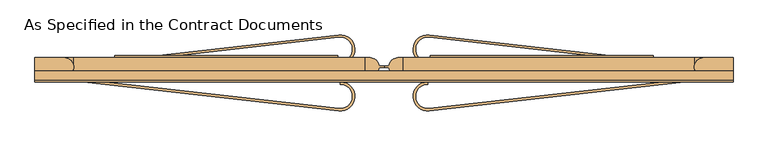
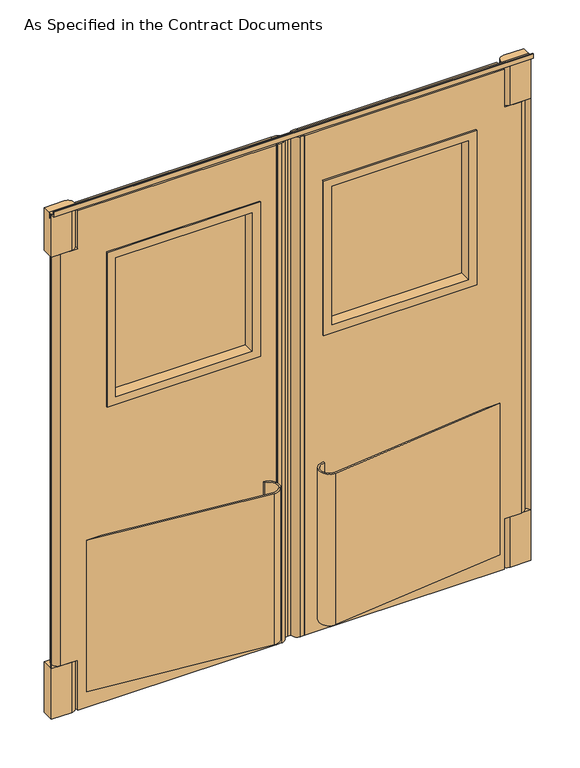
"""IFC4 building model written with IfcOpenShell, lengths in millimetres: door geometry, As Specified in the Contract Documents."""

from ifc_helpers import new_model, si_unit, point, frame, frame_2d, origin, origin_with_axes, place, context, project, spatial, polyline, circle_curve, trimmed, segment, composite_curve, outline, extrude, faceted_brep, source, transform, mapped, element, save
from ifc_brep_helpers import plane_surface, cylinder_surface, advanced_brep


def as_specified_in_the_contract_documents_545c5373(model_context):
    return source(origin(), model_context, "Body", "SolidModel", [
        extrude(outline(composite_curve([segment(polyline([(-96.3744322, -43.4191359), (-765.175, 32.5375), (-708.9036164, 32.5375), (-95.6578602, -37.1096966)]), True, "CONTINUOUS"), segment(trimmed(circle_curve(frame_2d((-92.075, -5.5625)), 31.75), [point((-95.6578602, -37.1096966))], [point((-92.075, 26.1875))], True, "CARTESIAN"), True, "CONTINUOUS"), segment(polyline([(-92.075, 26.1875), (-92.075, 32.5375)]), True, "CONTINUOUS"), segment(trimmed(circle_curve(frame_2d((-92.075, -5.5625)), 38.1), [point((-92.075, 32.5375))], [point((-96.3744322, -43.4191359))], False, "CARTESIAN"), True, "CONTINUOUS")], self_intersect=False)), frame((0.0, 0.0, 76.2), z_axis=(0.0, 0.0, 1.0), x_axis=(1.0, 0.0, 0.0)), (0.0, 0.0, 1.0), 609.6),
        extrude(outline(composite_curve([segment(trimmed(circle_curve(frame_2d((-92.075, 118.2625)), 38.1), [point((-96.3744322, 156.1191359))], [point((-92.075, 80.1625))], False, "CARTESIAN"), True, "CONTINUOUS"), segment(polyline([(-92.075, 80.1625), (-92.075, 86.5125)]), True, "CONTINUOUS"), segment(trimmed(circle_curve(frame_2d((-92.075, 118.2625)), 31.75), [point((-92.075, 86.5125))], [point((-95.6578602, 149.8096966))], True, "CARTESIAN"), True, "CONTINUOUS"), segment(polyline([(-95.6578602, 149.8096966), (-708.9036164, 80.1625), (-765.175, 80.1625), (-96.3744322, 156.1191359)]), True, "CONTINUOUS")], self_intersect=False)), frame((0.0, 0.0, 76.2), z_axis=(0.0, 0.0, 1.0), x_axis=(1.0, 0.0, 0.0)), (0.0, 0.0, 1.0), 609.6),
        extrude(outline(polyline([(-892.175, 51.3086603), (-879.475, 73.5336603), (-879.475, 70.3586603), (-892.175, 48.1336603), (-892.175, 51.3086603)])), frame((0.0, 0.0, 203.2), z_axis=(0.0, 0.0, 1.0), x_axis=(1.0, 0.0, 0.0)), (0.0, 0.0, 1.0), 1657.35),
        advanced_brep(
        [(-790.575, 95.7586603, 2012.95), (-28.575, 95.7586603, 2012.95), (-28.575, 95.7586603, 0.0), (-790.575, 95.7586603, 0.0), (-790.575, 95.7586603, 203.2), (-855.6625, 95.7586603, 203.2), (-855.6625, 95.7586603, 1860.55), (-790.575, 95.7586603, 1860.55), (-657.225, 95.7586603, 1784.35), (-657.225, 95.7586603, 1212.85), (-123.825, 95.7586603, 1212.85), (-123.825, 95.7586603, 1784.35), (-790.575, 48.1336603, 2012.95), (-790.575, 48.1336603, 1860.55), (-855.6625, 48.1336603, 1860.55), (-855.6625, 48.1336603, 203.2), (-790.575, 48.1336603, 203.2), (-790.575, 48.1336603, 0.0), (-28.575, 48.1336603, 0.0), (-28.575, 48.1336603, 2012.95), (-657.225, 48.1336603, 1784.35), (-123.825, 48.1336603, 1784.35), (-123.825, 48.1336603, 1212.85), (-657.225, 48.1336603, 1212.85)],
        [
            (0, 1),
            (1, 2),
            (2, 3),
            (3, 4),
            (4, 5),
            (5, 6),
            (6, 7),
            (7, 0),
            (8, 9),
            (9, 10),
            (10, 11),
            (11, 8),
            (12, 13),
            (13, 14),
            (14, 15),
            (15, 16),
            (16, 17),
            (17, 18),
            (18, 19),
            (19, 12),
            (20, 21),
            (21, 22),
            (22, 23),
            (23, 20),
            (7, 13),
            (12, 0),
            (6, 14, circle_curve(frame((-855.6625, 71.9461603, 1860.55), z_axis=(0.0, 0.0, 1.0), x_axis=(-1.0, 0.0, 0.0)), 23.8125)),
            (4, 16),
            (15, 5, circle_curve(frame((-855.6625, 71.9461603, 203.2), z_axis=(0.0, 0.0, -1.0), x_axis=(-1.0, 0.0, 0.0)), 23.8125)),
            (3, 17),
            (2, 18),
            (1, 19),
            (11, 21),
            (20, 8),
            (10, 22),
            (9, 23),
        ],
        [
            plane_surface(frame((-790.575, 95.7586603, 2012.95), z_axis=(0.0, 1.0, 0.0), x_axis=(0.0, 0.0, -1.0))),
            plane_surface(frame((-790.575, 48.1336603, 2012.95), z_axis=(0.0, -1.0, 0.0), x_axis=(0.0, 0.0, 1.0))),
            plane_surface(frame((-790.575, 95.7586603, 2012.95), z_axis=(-1.0, 0.0, 0.0), x_axis=(0.0, -1.0, 0.0))),
            plane_surface(frame((-790.575, 95.7586603, 1860.55), z_axis=(0.0, 0.0, 1.0), x_axis=(0.0, -1.0, 0.0))),
            plane_surface(frame((-842.9625, 95.7586603, 203.2), z_axis=(0.0, 0.0, -1.0), x_axis=(0.0, -1.0, 0.0))),
            plane_surface(frame((-790.575, 95.7586603, 203.2), z_axis=(-1.0, 0.0, 0.0), x_axis=(0.0, -1.0, 0.0))),
            plane_surface(frame((-790.575, 95.7586603, 0.0), z_axis=(0.0, 0.0, -1.0), x_axis=(0.0, -1.0, 0.0))),
            plane_surface(frame((-28.575, 95.7586603, 0.0), z_axis=(1.0, 0.0, 0.0), x_axis=(0.0, -1.0, 0.0))),
            plane_surface(frame((-28.575, 95.7586603, 2012.95), z_axis=(0.0, 0.0, 1.0), x_axis=(0.0, -1.0, 0.0))),
            plane_surface(frame((-657.225, 95.7586603, 1784.35), z_axis=(0.0, 0.0, -1.0), x_axis=(0.0, -1.0, 0.0))),
            plane_surface(frame((-123.825, 95.7586603, 1784.35), z_axis=(-1.0, 0.0, 0.0), x_axis=(0.0, -1.0, 0.0))),
            plane_surface(frame((-123.825, 95.7586603, 1212.85), z_axis=(0.0, 0.0, 1.0), x_axis=(0.0, -1.0, 0.0))),
            plane_surface(frame((-657.225, 95.7586603, 1212.85), z_axis=(1.0, 0.0, 0.0), x_axis=(0.0, -1.0, 0.0))),
            cylinder_surface(frame((-855.6625, 71.9461603, 203.2), z_axis=(0.0, 0.0, 1.0), x_axis=(-1.0, 0.0, 0.0)), 23.8125),
        ],
        [
            (0, [[1, 2, 3, 4, 5, 6, 7, 8], [9, 10, 11, 12]]),
            (1, [[13, 14, 15, 16, 17, 18, 19, 20], [21, 22, 23, 24]]),
            (2, [[25, -13, 26, -8]]),
            (3, [[27, -14, -25, -7]]),
            (4, [[28, -16, 29, -5]]),
            (5, [[30, -17, -28, -4]]),
            (6, [[31, -18, -30, -3]]),
            (7, [[32, -19, -31, -2]]),
            (8, [[-26, -20, -32, -1]]),
            (9, [[33, -21, 34, -12]]),
            (10, [[35, -22, -33, -11]]),
            (11, [[36, -23, -35, -10]]),
            (12, [[-34, -24, -36, -9]]),
            (13, [[-6, -29, -15, -27]]),
        ],
    ),
        extrude(outline(composite_curve([segment(trimmed(circle_curve(frame_2d((-14.2875, 71.9461603)), 23.8125), [point((-14.2875, 95.7586603))], [point((9.4720244, 73.5336603))], False, "CARTESIAN"), True, "CONTINUOUS"), segment(polyline([(9.4720244, 73.5336603), (22.225, 73.5336603), (22.225, 70.3586603), (9.4720244, 70.3586603)]), True, "CONTINUOUS"), segment(trimmed(circle_curve(frame_2d((-14.2875, 71.9461603)), 23.8125), [point((9.4720244, 70.3586603))], [point((-14.2875, 48.1336603))], False, "CARTESIAN"), True, "CONTINUOUS"), segment(polyline([(-14.2875, 48.1336603), (-33.3375, 48.1336603), (-33.3375, 95.7586603), (-14.2875, 95.7586603)]), True, "CONTINUOUS")], self_intersect=False)), origin_with_axes(), (0.0, 0.0, 1.0), 2012.95),
        extrude(outline(composite_curve([segment(polyline([(-814.3875, 48.1336603), (-892.175, 48.1336603), (-892.175, 95.7586603), (-814.3875, 95.7586603)]), True, "CONTINUOUS"), segment(trimmed(circle_curve(frame_2d((-814.3875, 71.9461603)), 23.8125), [point((-814.3875, 95.7586603))], [point((-814.3875, 48.1336603))], False, "CARTESIAN"), True, "CONTINUOUS")], self_intersect=False)), frame((0.0, 0.0, 1860.55), z_axis=(0.0, 0.0, 1.0), x_axis=(1.0, 0.0, 0.0)), (0.0, 0.0, 1.0), 171.45),
        extrude(outline(composite_curve([segment(polyline([(-814.3875, 48.1336603), (-892.175, 48.1336603), (-892.175, 95.7586603), (-814.3875, 95.7586603)]), True, "CONTINUOUS"), segment(trimmed(circle_curve(frame_2d((-814.3875, 71.9461603)), 23.8125), [point((-814.3875, 95.7586603))], [point((-814.3875, 48.1336603))], False, "CARTESIAN"), True, "CONTINUOUS")], self_intersect=False)), origin_with_axes(), (0.0, 0.0, 1.0), 203.2),
        extrude(outline(polyline([(-650.875, 86.2336603), (-650.875, 89.4086603), (-130.175, 89.4086603), (-130.175, 86.2336603), (-650.875, 86.2336603)])), frame((0.0, 0.0, 1219.2), z_axis=(0.0, 0.0, 1.0), x_axis=(1.0, 0.0, 0.0)), (0.0, 0.0, 1.0), 558.8),
        faceted_brep([(-130.175, 41.7836603, 1778.0), (-650.875, 41.7836603, 1778.0), (-650.875, 102.1086603, 1778.0), (-130.175, 102.1086603, 1778.0), (-98.425, 48.1336603, 1809.75), (-682.625, 48.1336603, 1809.75), (-682.625, 41.7836603, 1809.75), (-98.425, 41.7836603, 1809.75), (-123.825, 95.7586603, 1784.35), (-657.225, 95.7586603, 1784.35), (-657.225, 48.1336603, 1784.35), (-123.825, 48.1336603, 1784.35), (-98.425, 102.1086603, 1809.75), (-682.625, 102.1086603, 1809.75), (-682.625, 95.7586603, 1809.75), (-98.425, 95.7586603, 1809.75), (-650.875, 41.7836603, 1219.2), (-650.875, 102.1086603, 1219.2), (-682.625, 48.1336603, 1187.45), (-682.625, 41.7836603, 1187.45), (-657.225, 95.7586603, 1212.85), (-657.225, 48.1336603, 1212.85), (-682.625, 102.1086603, 1187.45), (-682.625, 95.7586603, 1187.45), (-130.175, 41.7836603, 1219.2), (-130.175, 102.1086603, 1219.2), (-98.425, 48.1336603, 1187.45), (-98.425, 41.7836603, 1187.45), (-123.825, 95.7586603, 1212.85), (-123.825, 48.1336603, 1212.85), (-98.425, 102.1086603, 1187.45), (-98.425, 95.7586603, 1187.45)], [[[0, 1, 2, 3]], [[4, 5, 6, 7]], [[8, 9, 10, 11]], [[12, 13, 14, 15]], [[1, 16, 17, 2]], [[5, 18, 19, 6]], [[9, 20, 21, 10]], [[13, 22, 23, 14]], [[16, 24, 25, 17]], [[18, 26, 27, 19]], [[20, 28, 29, 21]], [[22, 30, 31, 23]], [[24, 0, 3, 25]], [[7, 6, 19, 27], [1, 0, 24, 16]], [[26, 4, 7, 27]], [[5, 4, 26, 18], [11, 10, 21, 29]], [[28, 8, 11, 29]], [[15, 14, 23, 31], [9, 8, 28, 20]], [[30, 12, 15, 31]], [[13, 12, 30, 22], [3, 2, 17, 25]]]),
        extrude(outline(composite_curve([segment(trimmed(circle_curve(frame_2d((136.525, -5.5625)), 38.1), [point((140.8244322, -43.4191359))], [point((136.525, 32.5375))], False, "CARTESIAN"), True, "CONTINUOUS"), segment(polyline([(136.525, 32.5375), (136.525, 26.1875)]), True, "CONTINUOUS"), segment(trimmed(circle_curve(frame_2d((136.525, -5.5625)), 31.75), [point((136.525, 26.1875))], [point((140.1078602, -37.1096966))], True, "CARTESIAN"), True, "CONTINUOUS"), segment(polyline([(140.1078602, -37.1096966), (753.3536164, 32.5375), (809.625, 32.5375), (140.8244322, -43.4191359)]), True, "CONTINUOUS")], self_intersect=False)), frame((0.0, 0.0, 76.2), z_axis=(0.0, 0.0, 1.0), x_axis=(1.0, 0.0, 0.0)), (0.0, 0.0, 1.0), 609.6),
        extrude(outline(composite_curve([segment(polyline([(140.8244322, 156.1191359), (809.625, 80.1625), (753.3536164, 80.1625), (140.1078602, 149.8096966)]), True, "CONTINUOUS"), segment(trimmed(circle_curve(frame_2d((136.525, 118.2625)), 31.75), [point((140.1078602, 149.8096966))], [point((136.525, 86.5125))], True, "CARTESIAN"), True, "CONTINUOUS"), segment(polyline([(136.525, 86.5125), (136.525, 80.1625)]), True, "CONTINUOUS"), segment(trimmed(circle_curve(frame_2d((136.525, 118.2625)), 38.1), [point((136.525, 80.1625))], [point((140.8244322, 156.1191359))], False, "CARTESIAN"), True, "CONTINUOUS")], self_intersect=False)), frame((0.0, 0.0, 76.2), z_axis=(0.0, 0.0, 1.0), x_axis=(1.0, 0.0, 0.0)), (0.0, 0.0, 1.0), 609.6),
        extrude(outline(polyline([(936.625, 51.3086603), (936.625, 48.1336603), (923.925, 70.3586603), (923.925, 73.5336603), (936.625, 51.3086603)])), frame((0.0, 0.0, 203.2), z_axis=(0.0, 0.0, 1.0), x_axis=(1.0, 0.0, 0.0)), (0.0, 0.0, 1.0), 1657.35),
        advanced_brep(
        [(835.025, 95.7586603, 2012.95), (835.025, 95.7586603, 1860.55), (900.1125, 95.7586603, 1860.55), (900.1125, 95.7586603, 203.2), (835.025, 95.7586603, 203.2), (835.025, 95.7586603, 0.0), (73.025, 95.7586603, 0.0), (73.025, 95.7586603, 2012.95), (701.675, 95.7586603, 1784.35), (168.275, 95.7586603, 1784.35), (168.275, 95.7586603, 1212.85), (701.675, 95.7586603, 1212.85), (835.025, 48.1336603, 2012.95), (73.025, 48.1336603, 2012.95), (73.025, 48.1336603, 0.0), (835.025, 48.1336603, 0.0), (835.025, 48.1336603, 203.2), (900.1125, 48.1336603, 203.2), (900.1125, 48.1336603, 1860.55), (835.025, 48.1336603, 1860.55), (701.675, 48.1336603, 1784.35), (701.675, 48.1336603, 1212.85), (168.275, 48.1336603, 1212.85), (168.275, 48.1336603, 1784.35)],
        [
            (0, 1),
            (1, 2),
            (2, 3),
            (3, 4),
            (4, 5),
            (5, 6),
            (6, 7),
            (7, 0),
            (8, 9),
            (9, 10),
            (10, 11),
            (11, 8),
            (12, 13),
            (13, 14),
            (14, 15),
            (15, 16),
            (16, 17),
            (17, 18),
            (18, 19),
            (19, 12),
            (20, 21),
            (21, 22),
            (22, 23),
            (23, 20),
            (0, 12),
            (19, 1),
            (18, 2, circle_curve(frame((900.1125, 71.9461603, 1860.55), z_axis=(0.0, 0.0, 1.0), x_axis=(1.0, 0.0, 0.0)), 23.8125)),
            (3, 17, circle_curve(frame((900.1125, 71.9461603, 203.2), z_axis=(0.0, 0.0, -1.0), x_axis=(1.0, 0.0, 0.0)), 23.8125)),
            (16, 4),
            (15, 5),
            (14, 6),
            (13, 7),
            (8, 20),
            (23, 9),
            (22, 10),
            (21, 11),
        ],
        [
            plane_surface(frame((835.025, 95.7586603, 2012.95), z_axis=(0.0, 1.0, 0.0), x_axis=(0.0, 0.0, -1.0))),
            plane_surface(frame((835.025, 48.1336603, 2012.95), z_axis=(0.0, -1.0, 0.0), x_axis=(0.0, 0.0, 1.0))),
            plane_surface(frame((835.025, 95.7586603, 2012.95), z_axis=(1.0, 0.0, 0.0), x_axis=(0.0, -1.0, 0.0))),
            plane_surface(frame((835.025, 95.7586603, 1860.55), z_axis=(0.0, 0.0, 1.0), x_axis=(0.0, -1.0, 0.0))),
            plane_surface(frame((887.4125, 95.7586603, 203.2), z_axis=(0.0, 0.0, -1.0), x_axis=(0.0, -1.0, 0.0))),
            plane_surface(frame((835.025, 95.7586603, 203.2), z_axis=(1.0, 0.0, 0.0), x_axis=(0.0, -1.0, 0.0))),
            plane_surface(frame((835.025, 95.7586603, 0.0), z_axis=(0.0, 0.0, -1.0), x_axis=(0.0, -1.0, 0.0))),
            plane_surface(frame((73.025, 95.7586603, 0.0), z_axis=(-1.0, 0.0, 0.0), x_axis=(0.0, -1.0, 0.0))),
            plane_surface(frame((73.025, 95.7586603, 2012.95), z_axis=(0.0, 0.0, 1.0), x_axis=(0.0, -1.0, 0.0))),
            plane_surface(frame((701.675, 95.7586603, 1784.35), z_axis=(0.0, 0.0, -1.0), x_axis=(0.0, -1.0, 0.0))),
            plane_surface(frame((168.275, 95.7586603, 1784.35), z_axis=(1.0, 0.0, 0.0), x_axis=(0.0, -1.0, 0.0))),
            plane_surface(frame((168.275, 95.7586603, 1212.85), z_axis=(0.0, 0.0, 1.0), x_axis=(0.0, -1.0, 0.0))),
            plane_surface(frame((701.675, 95.7586603, 1212.85), z_axis=(-1.0, 0.0, 0.0), x_axis=(0.0, -1.0, 0.0))),
            cylinder_surface(frame((900.1125, 71.9461603, 203.2), z_axis=(0.0, 0.0, 1.0), x_axis=(1.0, 0.0, 0.0)), 23.8125),
        ],
        [
            (0, [[1, 2, 3, 4, 5, 6, 7, 8], [9, 10, 11, 12]]),
            (1, [[13, 14, 15, 16, 17, 18, 19, 20], [21, 22, 23, 24]]),
            (2, [[-1, 25, -20, 26]]),
            (3, [[-2, -26, -19, 27]]),
            (4, [[-4, 28, -17, 29]]),
            (5, [[-5, -29, -16, 30]]),
            (6, [[-6, -30, -15, 31]]),
            (7, [[-7, -31, -14, 32]]),
            (8, [[-8, -32, -13, -25]]),
            (9, [[-9, 33, -24, 34]]),
            (10, [[-10, -34, -23, 35]]),
            (11, [[-11, -35, -22, 36]]),
            (12, [[-12, -36, -21, -33]]),
            (13, [[-27, -18, -28, -3]]),
        ],
    ),
        extrude(outline(composite_curve([segment(polyline([(58.7375, 95.7586603), (77.7875, 95.7586603), (77.7875, 48.1336603), (58.7375, 48.1336603)]), True, "CONTINUOUS"), segment(trimmed(circle_curve(frame_2d((58.7375, 71.9461603)), 23.8125), [point((58.7375, 48.1336603))], [point((34.9779756, 70.3586603))], False, "CARTESIAN"), True, "CONTINUOUS"), segment(polyline([(34.9779756, 70.3586603), (22.225, 70.3586603), (22.225, 73.5336603), (34.9779756, 73.5336603)]), True, "CONTINUOUS"), segment(trimmed(circle_curve(frame_2d((58.7375, 71.9461603)), 23.8125), [point((34.9779756, 73.5336603))], [point((58.7375, 95.7586603))], False, "CARTESIAN"), True, "CONTINUOUS")], self_intersect=False)), origin_with_axes(), (0.0, 0.0, 1.0), 2012.95),
        extrude(outline(composite_curve([segment(trimmed(circle_curve(frame_2d((858.8375, 71.9461603)), 23.8125), [point((858.8375, 48.1336603))], [point((858.8375, 95.7586603))], False, "CARTESIAN"), True, "CONTINUOUS"), segment(polyline([(858.8375, 95.7586603), (936.625, 95.7586603), (936.625, 48.1336603), (858.8375, 48.1336603)]), True, "CONTINUOUS")], self_intersect=False)), frame((0.0, 0.0, 1860.55), z_axis=(0.0, 0.0, 1.0), x_axis=(1.0, 0.0, 0.0)), (0.0, 0.0, 1.0), 171.45),
        extrude(outline(composite_curve([segment(trimmed(circle_curve(frame_2d((858.8375, 71.9461603)), 23.8125), [point((858.8375, 48.1336603))], [point((858.8375, 95.7586603))], False, "CARTESIAN"), True, "CONTINUOUS"), segment(polyline([(858.8375, 95.7586603), (936.625, 95.7586603), (936.625, 48.1336603), (858.8375, 48.1336603)]), True, "CONTINUOUS")], self_intersect=False)), origin_with_axes(), (0.0, 0.0, 1.0), 203.2),
        extrude(outline(polyline([(695.325, 86.2336603), (174.625, 86.2336603), (174.625, 89.4086603), (695.325, 89.4086603), (695.325, 86.2336603)])), frame((0.0, 0.0, 1219.2), z_axis=(0.0, 0.0, 1.0), x_axis=(1.0, 0.0, 0.0)), (0.0, 0.0, 1.0), 558.8),
        faceted_brep([(174.625, 41.7836603, 1778.0), (174.625, 102.1086603, 1778.0), (695.325, 102.1086603, 1778.0), (695.325, 41.7836603, 1778.0), (142.875, 48.1336603, 1809.75), (142.875, 41.7836603, 1809.75), (727.075, 41.7836603, 1809.75), (727.075, 48.1336603, 1809.75), (168.275, 95.7586603, 1784.35), (168.275, 48.1336603, 1784.35), (701.675, 48.1336603, 1784.35), (701.675, 95.7586603, 1784.35), (142.875, 102.1086603, 1809.75), (142.875, 95.7586603, 1809.75), (727.075, 95.7586603, 1809.75), (727.075, 102.1086603, 1809.75), (695.325, 102.1086603, 1219.2), (695.325, 41.7836603, 1219.2), (727.075, 41.7836603, 1187.45), (727.075, 48.1336603, 1187.45), (701.675, 48.1336603, 1212.85), (701.675, 95.7586603, 1212.85), (727.075, 95.7586603, 1187.45), (727.075, 102.1086603, 1187.45), (174.625, 102.1086603, 1219.2), (174.625, 41.7836603, 1219.2), (142.875, 41.7836603, 1187.45), (142.875, 48.1336603, 1187.45), (168.275, 48.1336603, 1212.85), (168.275, 95.7586603, 1212.85), (142.875, 95.7586603, 1187.45), (142.875, 102.1086603, 1187.45)], [[[0, 1, 2, 3]], [[4, 5, 6, 7]], [[8, 9, 10, 11]], [[12, 13, 14, 15]], [[3, 2, 16, 17]], [[7, 6, 18, 19]], [[11, 10, 20, 21]], [[15, 14, 22, 23]], [[17, 16, 24, 25]], [[19, 18, 26, 27]], [[21, 20, 28, 29]], [[23, 22, 30, 31]], [[25, 24, 1, 0]], [[5, 26, 18, 6], [3, 17, 25, 0]], [[27, 26, 5, 4]], [[7, 19, 27, 4], [9, 28, 20, 10]], [[29, 28, 9, 8]], [[13, 30, 22, 14], [11, 21, 29, 8]], [[31, 30, 13, 12]], [[15, 23, 31, 12], [1, 24, 16, 2]]]),
        extrude(outline(polyline([(57.2586603, 2032.0), (32.5375, 2032.0), (32.5375, 2051.05), (35.7125, 2051.05), (35.7125, 2035.175), (60.4336603, 2035.175), (60.4336603, 2012.95), (57.2586603, 2012.95), (57.2586603, 2032.0)])), frame((-892.175, 0.0, 0.0), z_axis=(1.0, 0.0, 0.0), x_axis=(0.0, 1.0, 0.0)), (0.0, 0.0, 1.0), 1828.8),
    ])


if __name__ == "__main__":
    model = new_model("IFC4")
    model_context = context("Model", 3, world=origin())
    ifc_project = project(units=[si_unit("LENGTHUNIT", "METRE", prefix="MILLI")], contexts=[model_context])
    site = spatial("IfcSite", under=ifc_project)
    building = spatial("IfcBuilding", under=site)
    placement = place(None, origin())
    as_specified_in_the_contract_documents_shape = as_specified_in_the_contract_documents_545c5373(model_context)
    element("IfcDoor", 1, ObjectType="As Specified in the Contract Documents", at=placement, inside=building, context=model_context, shape_type="MappedRepresentation", body=[
        mapped(as_specified_in_the_contract_documents_shape, transform((0.0, 0.0, 0.0), x_axis=(1.0, 0.0, 0.0), y_axis=(0.0, 1.0, 0.0), z_axis=(0.0, 0.0, 1.0))),
    ])
    save(model, "model.ifc")
